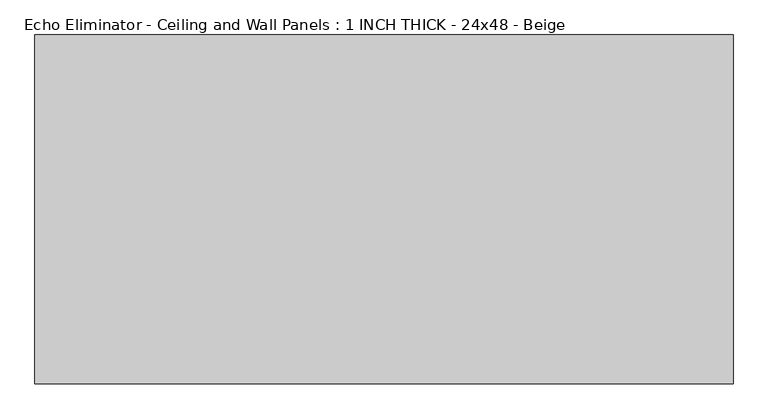
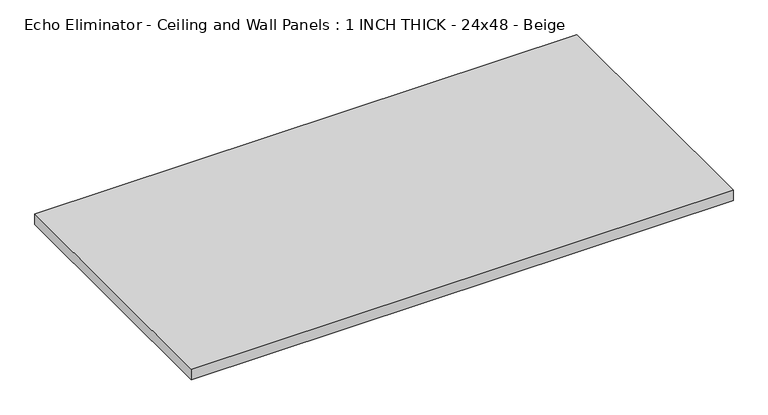
"""IFC4 building model written with IfcOpenShell, lengths in millimetres: proxy geometry, Echo Eliminator - Ceiling and Wall Panels : 1 INCH THICK - 24x48 - Beige."""

from ifc_helpers import new_model, si_unit, origin, origin_with_axes, place, context, project, spatial, polyline, outline, extrude, source, transform, mapped, element, save


def echo_eliminator_ceiling_and_wall_panels_1_inch_thick_24x48_82ed4230(model_context):
    return source(origin(), model_context, "Body", "SweptSolid", [
        extrude(outline(polyline([(-609.6, 304.8), (609.6, 304.8), (609.6, -304.8), (-609.6, -304.8), (-609.6, 304.8)])), origin_with_axes(), (0.0, 0.0, 1.0), 25.4),
    ])


if __name__ == "__main__":
    model = new_model("IFC4")
    model_context = context("Model", 3, world=origin())
    ifc_project = project(units=[si_unit("LENGTHUNIT", "METRE", prefix="MILLI")], contexts=[model_context])
    site = spatial("IfcSite", under=ifc_project)
    building = spatial("IfcBuilding", under=site)
    placement = place(None, origin())
    echo_eliminator_ceiling_and_wall_panels_1_inch_thick_24x48_shape = echo_eliminator_ceiling_and_wall_panels_1_inch_thick_24x48_82ed4230(model_context)
    element("IfcBuildingElementProxy", 1, Name="Echo Eliminator - Ceiling and Wall Panels : 1 INCH THICK - 24x48 - Beige", ObjectType="Echo Eliminator - Ceiling and Wall Panels : 1 INCH THICK - 24x48 - Beige", at=placement, inside=building, context=model_context, shape_type="MappedRepresentation", body=[
        mapped(echo_eliminator_ceiling_and_wall_panels_1_inch_thick_24x48_shape, transform((0.0, 0.0, 0.0), x_axis=(1.0, 0.0, 0.0), y_axis=(0.0, 1.0, 0.0), z_axis=(0.0, 0.0, 1.0))),
    ])
    save(model, "model.ifc")
